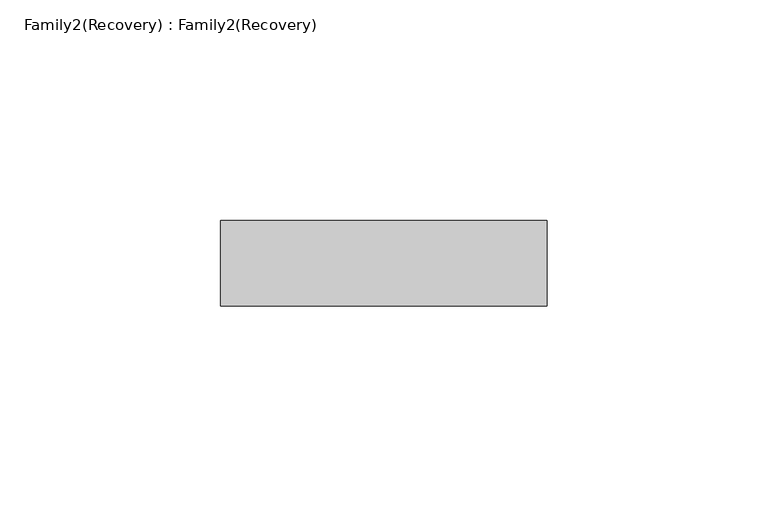
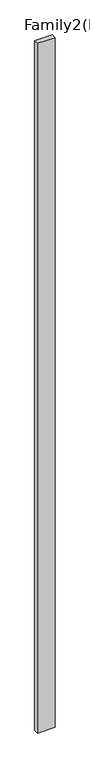
"""IFC4 building model written with IfcOpenShell, lengths in millimetres: plate geometry, Family2(Recovery) : Family2(Recovery)."""

from ifc_helpers import new_model, si_unit, origin, origin_with_axes, place, context, project, spatial, polyline, outline, extrude, source, transform, mapped, element, save


def family2_recovery_family2_recovery_c09f1a44(model_context):
    return source(origin(), model_context, "Body", "SweptSolid", [
        extrude(outline(polyline([(-36.9316, 50.038), (36.9316, 50.038), (36.9316, 30.7340002), (-36.9316, 30.7340002), (-36.9316, 50.038)])), origin_with_axes(), (0.0, 0.0, 1.0), 3015.4118001),
    ])


if __name__ == "__main__":
    model = new_model("IFC4")
    model_context = context("Model", 3, world=origin())
    ifc_project = project(units=[si_unit("LENGTHUNIT", "METRE", prefix="MILLI")], contexts=[model_context])
    site = spatial("IfcSite", under=ifc_project)
    building = spatial("IfcBuilding", under=site)
    placement = place(None, origin())
    family2_recovery_family2_recovery_shape = family2_recovery_family2_recovery_c09f1a44(model_context)
    element("IfcPlate", 1, ObjectType="Family2(Recovery) : Family2(Recovery)", at=placement, inside=building, context=model_context, shape_type="MappedRepresentation", body=[
        mapped(family2_recovery_family2_recovery_shape, transform((0.0, 0.0, 0.0), x_axis=(1.0, 0.0, 0.0), y_axis=(0.0, 1.0, 0.0), z_axis=(0.0, 0.0, 1.0))),
    ])
    save(model, "model.ifc")
